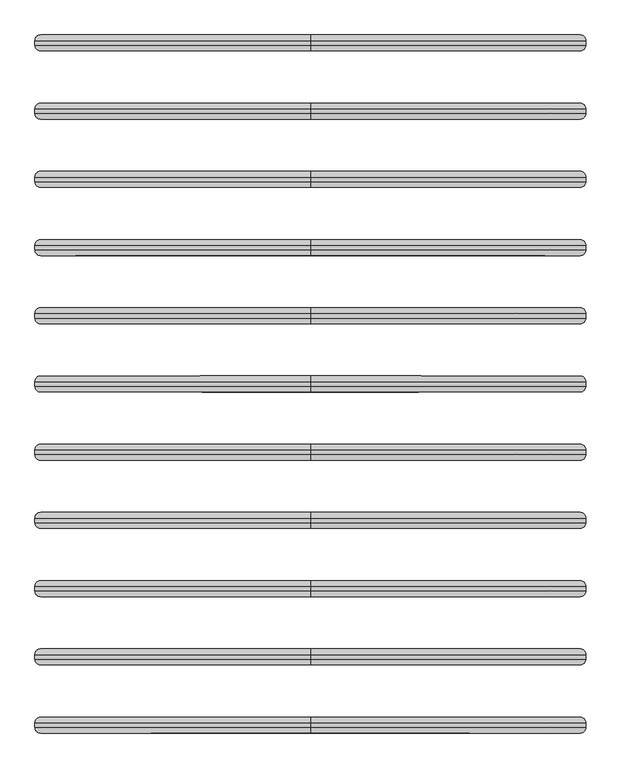
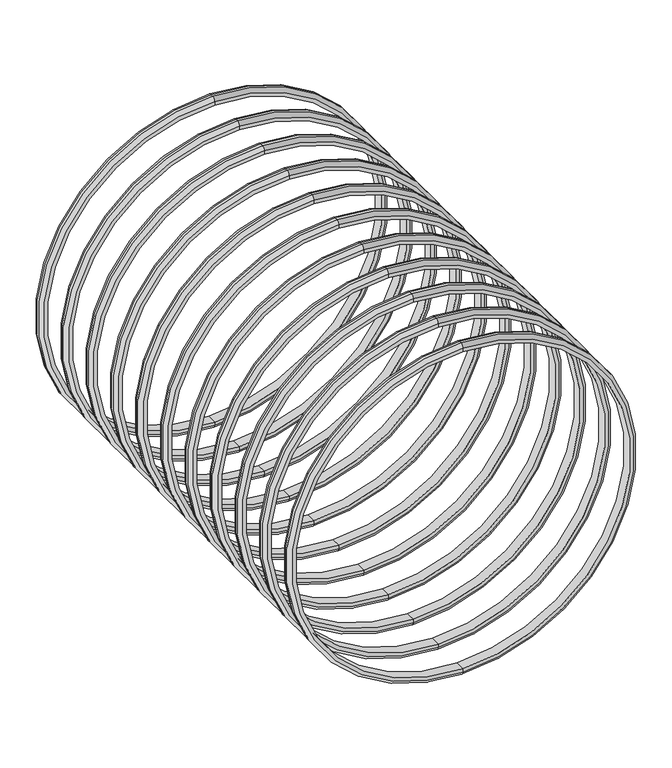
"""IFC4 building model written with IfcOpenShell, lengths in millimetres: proxy geometry."""

from ifc_helpers import new_model, si_unit, point, frame, origin, place, context, project, spatial, polyline, circle_curve, ellipse_curve, trimmed, source, transform, mapped, element, save
from ifc_brep_helpers import plane_surface, cylinder_surface, revolved_surface, advanced_brep


def generic_models_7a6d3cbc(model_context):
    return source(origin(), model_context, "Body", "AdvancedBrep", [
        advanced_brep(
        [(0.0, -664.5, -5694.0), (0.0, -664.5, -3306.0), (0.0, -664.5, -3331.0), (0.0, -664.5, -5669.0), (0.0, -734.5, -3331.0), (0.0, -734.5, -5669.0), (0.0, -734.5, -3306.0), (0.0, -734.5, -5694.0), (0.0, -689.5, -5719.0), (0.0, -689.5, -3281.0), (0.0, -709.5, -5719.0), (0.0, -709.5, -3281.0)],
        [
            (0, 1, circle_curve(frame((0.0, -664.5, -4500.0), z_axis=(0.0, 1.0, 0.0), x_axis=(0.0, 0.0, 1.0)), 1194.0)),
            (1, 2),
            (2, 3, circle_curve(frame((0.0, -664.5, -4500.0), z_axis=(0.0, -1.0, 0.0), x_axis=(0.0, 0.0, 1.0)), 1169.0)),
            (3, 0),
            (2, 4),
            (4, 5, circle_curve(frame((0.0, -734.5, -4500.0), z_axis=(0.0, -1.0, 0.0), x_axis=(0.0, 0.0, 1.0)), 1169.0)),
            (5, 3),
            (4, 6),
            (6, 7, circle_curve(frame((0.0, -734.5, -4500.0), z_axis=(0.0, -1.0, 0.0), x_axis=(0.0, 0.0, 1.0)), 1194.0)),
            (7, 5),
            (4, 5, circle_curve(frame((0.0, -734.5, -4500.0), z_axis=(0.0, 1.0, 0.0), x_axis=(0.0, 0.0, 1.0)), 1169.0)),
            (7, 6, circle_curve(frame((0.0, -734.5, -4500.0), z_axis=(0.0, -1.0, 0.0), x_axis=(0.0, 0.0, 1.0)), 1194.0)),
            (2, 3, circle_curve(frame((0.0, -664.5, -4500.0), z_axis=(0.0, 1.0, 0.0), x_axis=(0.0, 0.0, 1.0)), 1169.0)),
            (1, 0, circle_curve(frame((0.0, -664.5, -4500.0), z_axis=(0.0, 1.0, 0.0), x_axis=(0.0, 0.0, 1.0)), 1194.0)),
            (8, 9, circle_curve(frame((0.0, -689.5, -4500.0), z_axis=(0.0, 1.0, 0.0), x_axis=(0.0, 0.0, 1.0)), 1219.0)),
            (9, 1, circle_curve(frame((0.0, -689.5, -3306.0), z_axis=(-1.0, 0.0, 0.0), x_axis=(0.0, 1.0, 0.0)), 25.0)),
            (0, 8, circle_curve(frame((0.0, -689.5, -5694.0), z_axis=(-1.0, 0.0, 0.0), x_axis=(0.0, 1.0, 0.0)), 25.0)),
            (9, 8, circle_curve(frame((0.0, -689.5, -4500.0), z_axis=(0.0, 1.0, 0.0), x_axis=(0.0, 0.0, 1.0)), 1219.0)),
            (10, 11, circle_curve(frame((0.0, -709.5, -4500.0), z_axis=(0.0, 1.0, 0.0), x_axis=(0.0, 0.0, 1.0)), 1219.0)),
            (11, 9),
            (8, 10),
            (11, 10, circle_curve(frame((0.0, -709.5, -4500.0), z_axis=(0.0, 1.0, 0.0), x_axis=(0.0, 0.0, 1.0)), 1219.0)),
            (6, 11, circle_curve(frame((0.0, -709.5, -3306.0), z_axis=(-1.0, 0.0, 0.0), x_axis=(0.0, 1.0, 0.0)), 25.0)),
            (10, 7, circle_curve(frame((0.0, -709.5, -5694.0), z_axis=(-1.0, 0.0, 0.0), x_axis=(0.0, 1.0, 0.0)), 25.0)),
        ],
        [
            plane_surface(frame((0.0, -664.5, -4500.0), z_axis=(0.0, 1.0, 0.0), x_axis=(0.0, 0.0, 1.0))),
            revolved_surface(polyline([(0.0, -734.5, -3331.0), (0.0, -664.5, -3331.0)]), (0.0, -554.5, -4500.0), (0.0, -1.0, 0.0)),
            plane_surface(frame((0.0, -734.5, -4500.0), z_axis=(0.0, -1.0, 0.0), x_axis=(0.0, 0.0, 1.0))),
            revolved_surface(trimmed(ellipse_curve(frame((0.0, -689.5, -3306.0), z_axis=(1.0, 0.0, 0.0), x_axis=(0.0, 1.0, 0.0)), 25.0, 25.0), [point((0.0, -664.5, -3306.0))], [point((0.0, -689.5, -3281.0))], True, "CARTESIAN"), (0.0, -554.5, -4500.0), (0.0, -1.0, 0.0)),
            cylinder_surface(frame((0.0, -554.5, -4500.0), z_axis=(0.0, -1.0, 0.0), x_axis=(0.0, 0.0, 1.0)), 1219.0),
            revolved_surface(trimmed(ellipse_curve(frame((0.0, -709.5, -3306.0), z_axis=(1.0, 0.0, 0.0), x_axis=(0.0, 1.0, 0.0)), 25.0, 25.0), [point((0.0, -709.5, -3281.0))], [point((0.0, -734.5, -3306.0))], True, "CARTESIAN"), (0.0, -554.5, -4500.0), (0.0, -1.0, 0.0)),
        ],
        [
            (0, [[1, 2, 3, 4]]),
            (1, [[-3, 5, 6, 7]]),
            (2, [[-6, 8, 9, 10]]),
            (2, [[11, -10, 12, -8]]),
            (1, [[13, -7, -11, -5]]),
            (0, [[14, -4, -13, -2]]),
            (3, [[15, 16, -1, 17]]),
            (3, [[18, -17, -14, -16]]),
            (4, [[19, 20, -15, 21]]),
            (4, [[22, -21, -18, -20]]),
            (5, [[-9, 23, -19, 24]]),
            (5, [[-12, -24, -22, -23]]),
        ],
    ),
        advanced_brep(
        [(0.0, -964.5, -5694.0), (0.0, -964.5, -3306.0), (0.0, -964.5, -3331.0), (0.0, -964.5, -5669.0), (0.0, -1034.5, -3331.0), (0.0, -1034.5, -5669.0), (0.0, -1034.5, -3306.0), (0.0, -1034.5, -5694.0), (0.0, -989.5, -5719.0), (0.0, -989.5, -3281.0), (0.0, -1009.5, -5719.0), (0.0, -1009.5, -3281.0)],
        [
            (0, 1, circle_curve(frame((0.0, -964.5, -4500.0), z_axis=(0.0, 1.0, 0.0), x_axis=(0.0, 0.0, 1.0)), 1194.0)),
            (1, 2),
            (2, 3, circle_curve(frame((0.0, -964.5, -4500.0), z_axis=(0.0, -1.0, 0.0), x_axis=(0.0, 0.0, 1.0)), 1169.0)),
            (3, 0),
            (2, 4),
            (4, 5, circle_curve(frame((0.0, -1034.5, -4500.0), z_axis=(0.0, -1.0, 0.0), x_axis=(0.0, 0.0, 1.0)), 1169.0)),
            (5, 3),
            (4, 6),
            (6, 7, circle_curve(frame((0.0, -1034.5, -4500.0), z_axis=(0.0, -1.0, 0.0), x_axis=(0.0, 0.0, 1.0)), 1194.0)),
            (7, 5),
            (4, 5, circle_curve(frame((0.0, -1034.5, -4500.0), z_axis=(0.0, 1.0, 0.0), x_axis=(0.0, 0.0, 1.0)), 1169.0)),
            (7, 6, circle_curve(frame((0.0, -1034.5, -4500.0), z_axis=(0.0, -1.0, 0.0), x_axis=(0.0, 0.0, 1.0)), 1194.0)),
            (2, 3, circle_curve(frame((0.0, -964.5, -4500.0), z_axis=(0.0, 1.0, 0.0), x_axis=(0.0, 0.0, 1.0)), 1169.0)),
            (1, 0, circle_curve(frame((0.0, -964.5, -4500.0), z_axis=(0.0, 1.0, 0.0), x_axis=(0.0, 0.0, 1.0)), 1194.0)),
            (8, 9, circle_curve(frame((0.0, -989.5, -4500.0), z_axis=(0.0, 1.0, 0.0), x_axis=(0.0, 0.0, 1.0)), 1219.0)),
            (9, 1, circle_curve(frame((0.0, -989.5, -3306.0), z_axis=(-1.0, 0.0, 0.0), x_axis=(0.0, 1.0, 0.0)), 25.0)),
            (0, 8, circle_curve(frame((0.0, -989.5, -5694.0), z_axis=(-1.0, 0.0, 0.0), x_axis=(0.0, 1.0, 0.0)), 25.0)),
            (9, 8, circle_curve(frame((0.0, -989.5, -4500.0), z_axis=(0.0, 1.0, 0.0), x_axis=(0.0, 0.0, 1.0)), 1219.0)),
            (10, 11, circle_curve(frame((0.0, -1009.5, -4500.0), z_axis=(0.0, 1.0, 0.0), x_axis=(0.0, 0.0, 1.0)), 1219.0)),
            (11, 9),
            (8, 10),
            (11, 10, circle_curve(frame((0.0, -1009.5, -4500.0), z_axis=(0.0, 1.0, 0.0), x_axis=(0.0, 0.0, 1.0)), 1219.0)),
            (6, 11, circle_curve(frame((0.0, -1009.5, -3306.0), z_axis=(-1.0, 0.0, 0.0), x_axis=(0.0, 1.0, 0.0)), 25.0)),
            (10, 7, circle_curve(frame((0.0, -1009.5, -5694.0), z_axis=(-1.0, 0.0, 0.0), x_axis=(0.0, 1.0, 0.0)), 25.0)),
        ],
        [
            plane_surface(frame((0.0, -964.5, -4500.0), z_axis=(0.0, 1.0, 0.0), x_axis=(0.0, 0.0, 1.0))),
            revolved_surface(polyline([(0.0, -1034.5, -3331.0), (0.0, -964.5, -3331.0)]), (0.0, -854.5, -4500.0), (0.0, -1.0, 0.0)),
            plane_surface(frame((0.0, -1034.5, -4500.0), z_axis=(0.0, -1.0, 0.0), x_axis=(0.0, 0.0, 1.0))),
            revolved_surface(trimmed(ellipse_curve(frame((0.0, -989.5, -3306.0), z_axis=(1.0, 0.0, 0.0), x_axis=(0.0, 1.0, 0.0)), 25.0, 25.0), [point((0.0, -964.5, -3306.0))], [point((0.0, -989.5, -3281.0))], True, "CARTESIAN"), (0.0, -854.5, -4500.0), (0.0, -1.0, 0.0)),
            cylinder_surface(frame((0.0, -854.5, -4500.0), z_axis=(0.0, -1.0, 0.0), x_axis=(0.0, 0.0, 1.0)), 1219.0),
            revolved_surface(trimmed(ellipse_curve(frame((0.0, -1009.5, -3306.0), z_axis=(1.0, 0.0, 0.0), x_axis=(0.0, 1.0, 0.0)), 25.0, 25.0), [point((0.0, -1009.5, -3281.0))], [point((0.0, -1034.5, -3306.0))], True, "CARTESIAN"), (0.0, -854.5, -4500.0), (0.0, -1.0, 0.0)),
        ],
        [
            (0, [[1, 2, 3, 4]]),
            (1, [[-3, 5, 6, 7]]),
            (2, [[-6, 8, 9, 10]]),
            (2, [[11, -10, 12, -8]]),
            (1, [[13, -7, -11, -5]]),
            (0, [[14, -4, -13, -2]]),
            (3, [[15, 16, -1, 17]]),
            (3, [[18, -17, -14, -16]]),
            (4, [[19, 20, -15, 21]]),
            (4, [[22, -21, -18, -20]]),
            (5, [[-9, 23, -19, 24]]),
            (5, [[-12, -24, -22, -23]]),
        ],
    ),
        advanced_brep(
        [(0.0, -1264.5, -5694.0), (0.0, -1264.5, -3306.0), (0.0, -1264.5, -3331.0), (0.0, -1264.5, -5669.0), (0.0, -1334.5, -3331.0), (0.0, -1334.5, -5669.0), (0.0, -1334.5, -3306.0), (0.0, -1334.5, -5694.0), (0.0, -1289.5, -5719.0), (0.0, -1289.5, -3281.0), (0.0, -1309.5, -5719.0), (0.0, -1309.5, -3281.0)],
        [
            (0, 1, circle_curve(frame((0.0, -1264.5, -4500.0), z_axis=(0.0, 1.0, 0.0), x_axis=(0.0, 0.0, 1.0)), 1194.0)),
            (1, 2),
            (2, 3, circle_curve(frame((0.0, -1264.5, -4500.0), z_axis=(0.0, -1.0, 0.0), x_axis=(0.0, 0.0, 1.0)), 1169.0)),
            (3, 0),
            (2, 4),
            (4, 5, circle_curve(frame((0.0, -1334.5, -4500.0), z_axis=(0.0, -1.0, 0.0), x_axis=(0.0, 0.0, 1.0)), 1169.0)),
            (5, 3),
            (4, 6),
            (6, 7, circle_curve(frame((0.0, -1334.5, -4500.0), z_axis=(0.0, -1.0, 0.0), x_axis=(0.0, 0.0, 1.0)), 1194.0)),
            (7, 5),
            (4, 5, circle_curve(frame((0.0, -1334.5, -4500.0), z_axis=(0.0, 1.0, 0.0), x_axis=(0.0, 0.0, 1.0)), 1169.0)),
            (7, 6, circle_curve(frame((0.0, -1334.5, -4500.0), z_axis=(0.0, -1.0, 0.0), x_axis=(0.0, 0.0, 1.0)), 1194.0)),
            (2, 3, circle_curve(frame((0.0, -1264.5, -4500.0), z_axis=(0.0, 1.0, 0.0), x_axis=(0.0, 0.0, 1.0)), 1169.0)),
            (1, 0, circle_curve(frame((0.0, -1264.5, -4500.0), z_axis=(0.0, 1.0, 0.0), x_axis=(0.0, 0.0, 1.0)), 1194.0)),
            (8, 9, circle_curve(frame((0.0, -1289.5, -4500.0), z_axis=(0.0, 1.0, 0.0), x_axis=(0.0, 0.0, 1.0)), 1219.0)),
            (9, 1, circle_curve(frame((0.0, -1289.5, -3306.0), z_axis=(-1.0, 0.0, 0.0), x_axis=(0.0, 1.0, 0.0)), 25.0)),
            (0, 8, circle_curve(frame((0.0, -1289.5, -5694.0), z_axis=(-1.0, 0.0, 0.0), x_axis=(0.0, 1.0, 0.0)), 25.0)),
            (9, 8, circle_curve(frame((0.0, -1289.5, -4500.0), z_axis=(0.0, 1.0, 0.0), x_axis=(0.0, 0.0, 1.0)), 1219.0)),
            (10, 11, circle_curve(frame((0.0, -1309.5, -4500.0), z_axis=(0.0, 1.0, 0.0), x_axis=(0.0, 0.0, 1.0)), 1219.0)),
            (11, 9),
            (8, 10),
            (11, 10, circle_curve(frame((0.0, -1309.5, -4500.0), z_axis=(0.0, 1.0, 0.0), x_axis=(0.0, 0.0, 1.0)), 1219.0)),
            (6, 11, circle_curve(frame((0.0, -1309.5, -3306.0), z_axis=(-1.0, 0.0, 0.0), x_axis=(0.0, 1.0, 0.0)), 25.0)),
            (10, 7, circle_curve(frame((0.0, -1309.5, -5694.0), z_axis=(-1.0, 0.0, 0.0), x_axis=(0.0, 1.0, 0.0)), 25.0)),
        ],
        [
            plane_surface(frame((0.0, -1264.5, -4500.0), z_axis=(0.0, 1.0, 0.0), x_axis=(0.0, 0.0, 1.0))),
            revolved_surface(polyline([(0.0, -1334.5, -3331.0), (0.0, -1264.5, -3331.0)]), (0.0, -1154.5, -4500.0), (0.0, -1.0, 0.0)),
            plane_surface(frame((0.0, -1334.5, -4500.0), z_axis=(0.0, -1.0, 0.0), x_axis=(0.0, 0.0, 1.0))),
            revolved_surface(trimmed(ellipse_curve(frame((0.0, -1289.5, -3306.0), z_axis=(1.0, 0.0, 0.0), x_axis=(0.0, 1.0, 0.0)), 25.0, 25.0), [point((0.0, -1264.5, -3306.0))], [point((0.0, -1289.5, -3281.0))], True, "CARTESIAN"), (0.0, -1154.5, -4500.0), (0.0, -1.0, 0.0)),
            cylinder_surface(frame((0.0, -1154.5, -4500.0), z_axis=(0.0, -1.0, 0.0), x_axis=(0.0, 0.0, 1.0)), 1219.0),
            revolved_surface(trimmed(ellipse_curve(frame((0.0, -1309.5, -3306.0), z_axis=(1.0, 0.0, 0.0), x_axis=(0.0, 1.0, 0.0)), 25.0, 25.0), [point((0.0, -1309.5, -3281.0))], [point((0.0, -1334.5, -3306.0))], True, "CARTESIAN"), (0.0, -1154.5, -4500.0), (0.0, -1.0, 0.0)),
        ],
        [
            (0, [[1, 2, 3, 4]]),
            (1, [[-3, 5, 6, 7]]),
            (2, [[-6, 8, 9, 10]]),
            (2, [[11, -10, 12, -8]]),
            (1, [[13, -7, -11, -5]]),
            (0, [[14, -4, -13, -2]]),
            (3, [[15, 16, -1, 17]]),
            (3, [[18, -17, -14, -16]]),
            (4, [[19, 20, -15, 21]]),
            (4, [[22, -21, -18, -20]]),
            (5, [[-9, 23, -19, 24]]),
            (5, [[-12, -24, -22, -23]]),
        ],
    ),
        advanced_brep(
        [(0.0, -1564.5, -5694.0), (0.0, -1564.5, -3306.0), (0.0, -1564.5, -3331.0), (0.0, -1564.5, -5669.0), (0.0, -1634.5, -3331.0), (0.0, -1634.5, -5669.0), (0.0, -1634.5, -3306.0), (0.0, -1634.5, -5694.0), (0.0, -1589.5, -5719.0), (0.0, -1589.5, -3281.0), (0.0, -1609.5, -5719.0), (0.0, -1609.5, -3281.0)],
        [
            (0, 1, circle_curve(frame((0.0, -1564.5, -4500.0), z_axis=(0.0, 1.0, 0.0), x_axis=(0.0, 0.0, 1.0)), 1194.0)),
            (1, 2),
            (2, 3, circle_curve(frame((0.0, -1564.5, -4500.0), z_axis=(0.0, -1.0, 0.0), x_axis=(0.0, 0.0, 1.0)), 1169.0)),
            (3, 0),
            (2, 4),
            (4, 5, circle_curve(frame((0.0, -1634.5, -4500.0), z_axis=(0.0, -1.0, 0.0), x_axis=(0.0, 0.0, 1.0)), 1169.0)),
            (5, 3),
            (4, 6),
            (6, 7, circle_curve(frame((0.0, -1634.5, -4500.0), z_axis=(0.0, -1.0, 0.0), x_axis=(0.0, 0.0, 1.0)), 1194.0)),
            (7, 5),
            (4, 5, circle_curve(frame((0.0, -1634.5, -4500.0), z_axis=(0.0, 1.0, 0.0), x_axis=(0.0, 0.0, 1.0)), 1169.0)),
            (7, 6, circle_curve(frame((0.0, -1634.5, -4500.0), z_axis=(0.0, -1.0, 0.0), x_axis=(0.0, 0.0, 1.0)), 1194.0)),
            (2, 3, circle_curve(frame((0.0, -1564.5, -4500.0), z_axis=(0.0, 1.0, 0.0), x_axis=(0.0, 0.0, 1.0)), 1169.0)),
            (1, 0, circle_curve(frame((0.0, -1564.5, -4500.0), z_axis=(0.0, 1.0, 0.0), x_axis=(0.0, 0.0, 1.0)), 1194.0)),
            (8, 9, circle_curve(frame((0.0, -1589.5, -4500.0), z_axis=(0.0, 1.0, 0.0), x_axis=(0.0, 0.0, 1.0)), 1219.0)),
            (9, 1, circle_curve(frame((0.0, -1589.5, -3306.0), z_axis=(-1.0, 0.0, 0.0), x_axis=(0.0, 1.0, 0.0)), 25.0)),
            (0, 8, circle_curve(frame((0.0, -1589.5, -5694.0), z_axis=(-1.0, 0.0, 0.0), x_axis=(0.0, 1.0, 0.0)), 25.0)),
            (9, 8, circle_curve(frame((0.0, -1589.5, -4500.0), z_axis=(0.0, 1.0, 0.0), x_axis=(0.0, 0.0, 1.0)), 1219.0)),
            (10, 11, circle_curve(frame((0.0, -1609.5, -4500.0), z_axis=(0.0, 1.0, 0.0), x_axis=(0.0, 0.0, 1.0)), 1219.0)),
            (11, 9),
            (8, 10),
            (11, 10, circle_curve(frame((0.0, -1609.5, -4500.0), z_axis=(0.0, 1.0, 0.0), x_axis=(0.0, 0.0, 1.0)), 1219.0)),
            (6, 11, circle_curve(frame((0.0, -1609.5, -3306.0), z_axis=(-1.0, 0.0, 0.0), x_axis=(0.0, 1.0, 0.0)), 25.0)),
            (10, 7, circle_curve(frame((0.0, -1609.5, -5694.0), z_axis=(-1.0, 0.0, 0.0), x_axis=(0.0, 1.0, 0.0)), 25.0)),
        ],
        [
            plane_surface(frame((0.0, -1564.5, -4500.0), z_axis=(0.0, 1.0, 0.0), x_axis=(0.0, 0.0, 1.0))),
            revolved_surface(polyline([(0.0, -1634.5, -3331.0), (0.0, -1564.5, -3331.0)]), (0.0, -1454.5, -4500.0), (0.0, -1.0, 0.0)),
            plane_surface(frame((0.0, -1634.5, -4500.0), z_axis=(0.0, -1.0, 0.0), x_axis=(0.0, 0.0, 1.0))),
            revolved_surface(trimmed(ellipse_curve(frame((0.0, -1589.5, -3306.0), z_axis=(1.0, 0.0, 0.0), x_axis=(0.0, 1.0, 0.0)), 25.0, 25.0), [point((0.0, -1564.5, -3306.0))], [point((0.0, -1589.5, -3281.0))], True, "CARTESIAN"), (0.0, -1454.5, -4500.0), (0.0, -1.0, 0.0)),
            cylinder_surface(frame((0.0, -1454.5, -4500.0), z_axis=(0.0, -1.0, 0.0), x_axis=(0.0, 0.0, 1.0)), 1219.0),
            revolved_surface(trimmed(ellipse_curve(frame((0.0, -1609.5, -3306.0), z_axis=(1.0, 0.0, 0.0), x_axis=(0.0, 1.0, 0.0)), 25.0, 25.0), [point((0.0, -1609.5, -3281.0))], [point((0.0, -1634.5, -3306.0))], True, "CARTESIAN"), (0.0, -1454.5, -4500.0), (0.0, -1.0, 0.0)),
        ],
        [
            (0, [[1, 2, 3, 4]]),
            (1, [[-3, 5, 6, 7]]),
            (2, [[-6, 8, 9, 10]]),
            (2, [[11, -10, 12, -8]]),
            (1, [[13, -7, -11, -5]]),
            (0, [[14, -4, -13, -2]]),
            (3, [[15, 16, -1, 17]]),
            (3, [[18, -17, -14, -16]]),
            (4, [[19, 20, -15, 21]]),
            (4, [[22, -21, -18, -20]]),
            (5, [[-9, 23, -19, 24]]),
            (5, [[-12, -24, -22, -23]]),
        ],
    ),
        advanced_brep(
        [(0.0, -1864.5, -5694.0), (0.0, -1864.5, -3306.0), (0.0, -1864.5, -3331.0), (0.0, -1864.5, -5669.0), (0.0, -1934.5, -3331.0), (0.0, -1934.5, -5669.0), (0.0, -1934.5, -3306.0), (0.0, -1934.5, -5694.0), (0.0, -1889.5, -5719.0), (0.0, -1889.5, -3281.0), (0.0, -1909.5, -5719.0), (0.0, -1909.5, -3281.0)],
        [
            (0, 1, circle_curve(frame((0.0, -1864.5, -4500.0), z_axis=(0.0, 1.0, 0.0), x_axis=(0.0, 0.0, 1.0)), 1194.0)),
            (1, 2),
            (2, 3, circle_curve(frame((0.0, -1864.5, -4500.0), z_axis=(0.0, -1.0, 0.0), x_axis=(0.0, 0.0, 1.0)), 1169.0)),
            (3, 0),
            (2, 4),
            (4, 5, circle_curve(frame((0.0, -1934.5, -4500.0), z_axis=(0.0, -1.0, 0.0), x_axis=(0.0, 0.0, 1.0)), 1169.0)),
            (5, 3),
            (4, 6),
            (6, 7, circle_curve(frame((0.0, -1934.5, -4500.0), z_axis=(0.0, -1.0, 0.0), x_axis=(0.0, 0.0, 1.0)), 1194.0)),
            (7, 5),
            (4, 5, circle_curve(frame((0.0, -1934.5, -4500.0), z_axis=(0.0, 1.0, 0.0), x_axis=(0.0, 0.0, 1.0)), 1169.0)),
            (7, 6, circle_curve(frame((0.0, -1934.5, -4500.0), z_axis=(0.0, -1.0, 0.0), x_axis=(0.0, 0.0, 1.0)), 1194.0)),
            (2, 3, circle_curve(frame((0.0, -1864.5, -4500.0), z_axis=(0.0, 1.0, 0.0), x_axis=(0.0, 0.0, 1.0)), 1169.0)),
            (1, 0, circle_curve(frame((0.0, -1864.5, -4500.0), z_axis=(0.0, 1.0, 0.0), x_axis=(0.0, 0.0, 1.0)), 1194.0)),
            (8, 9, circle_curve(frame((0.0, -1889.5, -4500.0), z_axis=(0.0, 1.0, 0.0), x_axis=(0.0, 0.0, 1.0)), 1219.0)),
            (9, 1, circle_curve(frame((0.0, -1889.5, -3306.0), z_axis=(-1.0, 0.0, 0.0), x_axis=(0.0, 1.0, 0.0)), 25.0)),
            (0, 8, circle_curve(frame((0.0, -1889.5, -5694.0), z_axis=(-1.0, 0.0, 0.0), x_axis=(0.0, 1.0, 0.0)), 25.0)),
            (9, 8, circle_curve(frame((0.0, -1889.5, -4500.0), z_axis=(0.0, 1.0, 0.0), x_axis=(0.0, 0.0, 1.0)), 1219.0)),
            (10, 11, circle_curve(frame((0.0, -1909.5, -4500.0), z_axis=(0.0, 1.0, 0.0), x_axis=(0.0, 0.0, 1.0)), 1219.0)),
            (11, 9),
            (8, 10),
            (11, 10, circle_curve(frame((0.0, -1909.5, -4500.0), z_axis=(0.0, 1.0, 0.0), x_axis=(0.0, 0.0, 1.0)), 1219.0)),
            (6, 11, circle_curve(frame((0.0, -1909.5, -3306.0), z_axis=(-1.0, 0.0, 0.0), x_axis=(0.0, 1.0, 0.0)), 25.0)),
            (10, 7, circle_curve(frame((0.0, -1909.5, -5694.0), z_axis=(-1.0, 0.0, 0.0), x_axis=(0.0, 1.0, 0.0)), 25.0)),
        ],
        [
            plane_surface(frame((0.0, -1864.5, -4500.0), z_axis=(0.0, 1.0, 0.0), x_axis=(0.0, 0.0, 1.0))),
            revolved_surface(polyline([(0.0, -1934.5, -3331.0), (0.0, -1864.5, -3331.0)]), (0.0, -1754.5, -4500.0), (0.0, -1.0, 0.0)),
            plane_surface(frame((0.0, -1934.5, -4500.0), z_axis=(0.0, -1.0, 0.0), x_axis=(0.0, 0.0, 1.0))),
            revolved_surface(trimmed(ellipse_curve(frame((0.0, -1889.5, -3306.0), z_axis=(1.0, 0.0, 0.0), x_axis=(0.0, 1.0, 0.0)), 25.0, 25.0), [point((0.0, -1864.5, -3306.0))], [point((0.0, -1889.5, -3281.0))], True, "CARTESIAN"), (0.0, -1754.5, -4500.0), (0.0, -1.0, 0.0)),
            cylinder_surface(frame((0.0, -1754.5, -4500.0), z_axis=(0.0, -1.0, 0.0), x_axis=(0.0, 0.0, 1.0)), 1219.0),
            revolved_surface(trimmed(ellipse_curve(frame((0.0, -1909.5, -3306.0), z_axis=(1.0, 0.0, 0.0), x_axis=(0.0, 1.0, 0.0)), 25.0, 25.0), [point((0.0, -1909.5, -3281.0))], [point((0.0, -1934.5, -3306.0))], True, "CARTESIAN"), (0.0, -1754.5, -4500.0), (0.0, -1.0, 0.0)),
        ],
        [
            (0, [[1, 2, 3, 4]]),
            (1, [[-3, 5, 6, 7]]),
            (2, [[-6, 8, 9, 10]]),
            (2, [[11, -10, 12, -8]]),
            (1, [[13, -7, -11, -5]]),
            (0, [[14, -4, -13, -2]]),
            (3, [[15, 16, -1, 17]]),
            (3, [[18, -17, -14, -16]]),
            (4, [[19, 20, -15, 21]]),
            (4, [[22, -21, -18, -20]]),
            (5, [[-9, 23, -19, 24]]),
            (5, [[-12, -24, -22, -23]]),
        ],
    ),
        advanced_brep(
        [(0.0, -2164.5, -5694.0), (0.0, -2164.5, -3306.0), (0.0, -2164.5, -3331.0), (0.0, -2164.5, -5669.0), (0.0, -2234.5, -3331.0), (0.0, -2234.5, -5669.0), (0.0, -2234.5, -3306.0), (0.0, -2234.5, -5694.0), (0.0, -2189.5, -5719.0), (0.0, -2189.5, -3281.0), (0.0, -2209.5, -5719.0), (0.0, -2209.5, -3281.0)],
        [
            (0, 1, circle_curve(frame((0.0, -2164.5, -4500.0), z_axis=(0.0, 1.0, 0.0), x_axis=(0.0, 0.0, 1.0)), 1194.0)),
            (1, 2),
            (2, 3, circle_curve(frame((0.0, -2164.5, -4500.0), z_axis=(0.0, -1.0, 0.0), x_axis=(0.0, 0.0, 1.0)), 1169.0)),
            (3, 0),
            (2, 4),
            (4, 5, circle_curve(frame((0.0, -2234.5, -4500.0), z_axis=(0.0, -1.0, 0.0), x_axis=(0.0, 0.0, 1.0)), 1169.0)),
            (5, 3),
            (4, 6),
            (6, 7, circle_curve(frame((0.0, -2234.5, -4500.0), z_axis=(0.0, -1.0, 0.0), x_axis=(0.0, 0.0, 1.0)), 1194.0)),
            (7, 5),
            (4, 5, circle_curve(frame((0.0, -2234.5, -4500.0), z_axis=(0.0, 1.0, 0.0), x_axis=(0.0, 0.0, 1.0)), 1169.0)),
            (7, 6, circle_curve(frame((0.0, -2234.5, -4500.0), z_axis=(0.0, -1.0, 0.0), x_axis=(0.0, 0.0, 1.0)), 1194.0)),
            (2, 3, circle_curve(frame((0.0, -2164.5, -4500.0), z_axis=(0.0, 1.0, 0.0), x_axis=(0.0, 0.0, 1.0)), 1169.0)),
            (1, 0, circle_curve(frame((0.0, -2164.5, -4500.0), z_axis=(0.0, 1.0, 0.0), x_axis=(0.0, 0.0, 1.0)), 1194.0)),
            (8, 9, circle_curve(frame((0.0, -2189.5, -4500.0), z_axis=(0.0, 1.0, 0.0), x_axis=(0.0, 0.0, 1.0)), 1219.0)),
            (9, 1, circle_curve(frame((0.0, -2189.5, -3306.0), z_axis=(-1.0, 0.0, 0.0), x_axis=(0.0, 1.0, 0.0)), 25.0)),
            (0, 8, circle_curve(frame((0.0, -2189.5, -5694.0), z_axis=(-1.0, 0.0, 0.0), x_axis=(0.0, 1.0, 0.0)), 25.0)),
            (9, 8, circle_curve(frame((0.0, -2189.5, -4500.0), z_axis=(0.0, 1.0, 0.0), x_axis=(0.0, 0.0, 1.0)), 1219.0)),
            (10, 11, circle_curve(frame((0.0, -2209.5, -4500.0), z_axis=(0.0, 1.0, 0.0), x_axis=(0.0, 0.0, 1.0)), 1219.0)),
            (11, 9),
            (8, 10),
            (11, 10, circle_curve(frame((0.0, -2209.5, -4500.0), z_axis=(0.0, 1.0, 0.0), x_axis=(0.0, 0.0, 1.0)), 1219.0)),
            (6, 11, circle_curve(frame((0.0, -2209.5, -3306.0), z_axis=(-1.0, 0.0, 0.0), x_axis=(0.0, 1.0, 0.0)), 25.0)),
            (10, 7, circle_curve(frame((0.0, -2209.5, -5694.0), z_axis=(-1.0, 0.0, 0.0), x_axis=(0.0, 1.0, 0.0)), 25.0)),
        ],
        [
            plane_surface(frame((0.0, -2164.5, -4500.0), z_axis=(0.0, 1.0, 0.0), x_axis=(0.0, 0.0, 1.0))),
            revolved_surface(polyline([(0.0, -2234.5, -3331.0), (0.0, -2164.5, -3331.0)]), (0.0, -2054.5, -4500.0), (0.0, -1.0, 0.0)),
            plane_surface(frame((0.0, -2234.5, -4500.0), z_axis=(0.0, -1.0, 0.0), x_axis=(0.0, 0.0, 1.0))),
            revolved_surface(trimmed(ellipse_curve(frame((0.0, -2189.5, -3306.0), z_axis=(1.0, 0.0, 0.0), x_axis=(0.0, 1.0, 0.0)), 25.0, 25.0), [point((0.0, -2164.5, -3306.0))], [point((0.0, -2189.5, -3281.0))], True, "CARTESIAN"), (0.0, -2054.5, -4500.0), (0.0, -1.0, 0.0)),
            cylinder_surface(frame((0.0, -2054.5, -4500.0), z_axis=(0.0, -1.0, 0.0), x_axis=(0.0, 0.0, 1.0)), 1219.0),
            revolved_surface(trimmed(ellipse_curve(frame((0.0, -2209.5, -3306.0), z_axis=(1.0, 0.0, 0.0), x_axis=(0.0, 1.0, 0.0)), 25.0, 25.0), [point((0.0, -2209.5, -3281.0))], [point((0.0, -2234.5, -3306.0))], True, "CARTESIAN"), (0.0, -2054.5, -4500.0), (0.0, -1.0, 0.0)),
        ],
        [
            (0, [[1, 2, 3, 4]]),
            (1, [[-3, 5, 6, 7]]),
            (2, [[-6, 8, 9, 10]]),
            (2, [[11, -10, 12, -8]]),
            (1, [[13, -7, -11, -5]]),
            (0, [[14, -4, -13, -2]]),
            (3, [[15, 16, -1, 17]]),
            (3, [[18, -17, -14, -16]]),
            (4, [[19, 20, -15, 21]]),
            (4, [[22, -21, -18, -20]]),
            (5, [[-9, 23, -19, 24]]),
            (5, [[-12, -24, -22, -23]]),
        ],
    ),
        advanced_brep(
        [(0.0, -2464.5, -5694.0), (0.0, -2464.5, -3306.0), (0.0, -2464.5, -3331.0), (0.0, -2464.5, -5669.0), (0.0, -2534.5, -3331.0), (0.0, -2534.5, -5669.0), (0.0, -2534.5, -3306.0), (0.0, -2534.5, -5694.0), (0.0, -2489.5, -5719.0), (0.0, -2489.5, -3281.0), (0.0, -2509.5, -5719.0), (0.0, -2509.5, -3281.0)],
        [
            (0, 1, circle_curve(frame((0.0, -2464.5, -4500.0), z_axis=(0.0, 1.0, 0.0), x_axis=(0.0, 0.0, 1.0)), 1194.0)),
            (1, 2),
            (2, 3, circle_curve(frame((0.0, -2464.5, -4500.0), z_axis=(0.0, -1.0, 0.0), x_axis=(0.0, 0.0, 1.0)), 1169.0)),
            (3, 0),
            (2, 4),
            (4, 5, circle_curve(frame((0.0, -2534.5, -4500.0), z_axis=(0.0, -1.0, 0.0), x_axis=(0.0, 0.0, 1.0)), 1169.0)),
            (5, 3),
            (4, 6),
            (6, 7, circle_curve(frame((0.0, -2534.5, -4500.0), z_axis=(0.0, -1.0, 0.0), x_axis=(0.0, 0.0, 1.0)), 1194.0)),
            (7, 5),
            (4, 5, circle_curve(frame((0.0, -2534.5, -4500.0), z_axis=(0.0, 1.0, 0.0), x_axis=(0.0, 0.0, 1.0)), 1169.0)),
            (7, 6, circle_curve(frame((0.0, -2534.5, -4500.0), z_axis=(0.0, -1.0, 0.0), x_axis=(0.0, 0.0, 1.0)), 1194.0)),
            (2, 3, circle_curve(frame((0.0, -2464.5, -4500.0), z_axis=(0.0, 1.0, 0.0), x_axis=(0.0, 0.0, 1.0)), 1169.0)),
            (1, 0, circle_curve(frame((0.0, -2464.5, -4500.0), z_axis=(0.0, 1.0, 0.0), x_axis=(0.0, 0.0, 1.0)), 1194.0)),
            (8, 9, circle_curve(frame((0.0, -2489.5, -4500.0), z_axis=(0.0, 1.0, 0.0), x_axis=(0.0, 0.0, 1.0)), 1219.0)),
            (9, 1, circle_curve(frame((0.0, -2489.5, -3306.0), z_axis=(-1.0, 0.0, 0.0), x_axis=(0.0, 1.0, 0.0)), 25.0)),
            (0, 8, circle_curve(frame((0.0, -2489.5, -5694.0), z_axis=(-1.0, 0.0, 0.0), x_axis=(0.0, 1.0, 0.0)), 25.0)),
            (9, 8, circle_curve(frame((0.0, -2489.5, -4500.0), z_axis=(0.0, 1.0, 0.0), x_axis=(0.0, 0.0, 1.0)), 1219.0)),
            (10, 11, circle_curve(frame((0.0, -2509.5, -4500.0), z_axis=(0.0, 1.0, 0.0), x_axis=(0.0, 0.0, 1.0)), 1219.0)),
            (11, 9),
            (8, 10),
            (11, 10, circle_curve(frame((0.0, -2509.5, -4500.0), z_axis=(0.0, 1.0, 0.0), x_axis=(0.0, 0.0, 1.0)), 1219.0)),
            (6, 11, circle_curve(frame((0.0, -2509.5, -3306.0), z_axis=(-1.0, 0.0, 0.0), x_axis=(0.0, 1.0, 0.0)), 25.0)),
            (10, 7, circle_curve(frame((0.0, -2509.5, -5694.0), z_axis=(-1.0, 0.0, 0.0), x_axis=(0.0, 1.0, 0.0)), 25.0)),
        ],
        [
            plane_surface(frame((0.0, -2464.5, -4500.0), z_axis=(0.0, 1.0, 0.0), x_axis=(0.0, 0.0, 1.0))),
            revolved_surface(polyline([(0.0, -2534.5, -3331.0), (0.0, -2464.5, -3331.0)]), (0.0, -2354.5, -4500.0), (0.0, -1.0, 0.0)),
            plane_surface(frame((0.0, -2534.5, -4500.0), z_axis=(0.0, -1.0, 0.0), x_axis=(0.0, 0.0, 1.0))),
            revolved_surface(trimmed(ellipse_curve(frame((0.0, -2489.5, -3306.0), z_axis=(1.0, 0.0, 0.0), x_axis=(0.0, 1.0, 0.0)), 25.0, 25.0), [point((0.0, -2464.5, -3306.0))], [point((0.0, -2489.5, -3281.0))], True, "CARTESIAN"), (0.0, -2354.5, -4500.0), (0.0, -1.0, 0.0)),
            cylinder_surface(frame((0.0, -2354.5, -4500.0), z_axis=(0.0, -1.0, 0.0), x_axis=(0.0, 0.0, 1.0)), 1219.0),
            revolved_surface(trimmed(ellipse_curve(frame((0.0, -2509.5, -3306.0), z_axis=(1.0, 0.0, 0.0), x_axis=(0.0, 1.0, 0.0)), 25.0, 25.0), [point((0.0, -2509.5, -3281.0))], [point((0.0, -2534.5, -3306.0))], True, "CARTESIAN"), (0.0, -2354.5, -4500.0), (0.0, -1.0, 0.0)),
        ],
        [
            (0, [[1, 2, 3, 4]]),
            (1, [[-3, 5, 6, 7]]),
            (2, [[-6, 8, 9, 10]]),
            (2, [[11, -10, 12, -8]]),
            (1, [[13, -7, -11, -5]]),
            (0, [[14, -4, -13, -2]]),
            (3, [[15, 16, -1, 17]]),
            (3, [[18, -17, -14, -16]]),
            (4, [[19, 20, -15, 21]]),
            (4, [[22, -21, -18, -20]]),
            (5, [[-9, 23, -19, 24]]),
            (5, [[-12, -24, -22, -23]]),
        ],
    ),
        advanced_brep(
        [(0.0, -2764.5, -5694.0), (0.0, -2764.5, -3306.0), (0.0, -2764.5, -3331.0), (0.0, -2764.5, -5669.0), (0.0, -2834.5, -3331.0), (0.0, -2834.5, -5669.0), (0.0, -2834.5, -3306.0), (0.0, -2834.5, -5694.0), (0.0, -2789.5, -5719.0), (0.0, -2789.5, -3281.0), (0.0, -2809.5, -5719.0), (0.0, -2809.5, -3281.0)],
        [
            (0, 1, circle_curve(frame((0.0, -2764.5, -4500.0), z_axis=(0.0, 1.0, 0.0), x_axis=(0.0, 0.0, 1.0)), 1194.0)),
            (1, 2),
            (2, 3, circle_curve(frame((0.0, -2764.5, -4500.0), z_axis=(0.0, -1.0, 0.0), x_axis=(0.0, 0.0, 1.0)), 1169.0)),
            (3, 0),
            (2, 4),
            (4, 5, circle_curve(frame((0.0, -2834.5, -4500.0), z_axis=(0.0, -1.0, 0.0), x_axis=(0.0, 0.0, 1.0)), 1169.0)),
            (5, 3),
            (4, 6),
            (6, 7, circle_curve(frame((0.0, -2834.5, -4500.0), z_axis=(0.0, -1.0, 0.0), x_axis=(0.0, 0.0, 1.0)), 1194.0)),
            (7, 5),
            (4, 5, circle_curve(frame((0.0, -2834.5, -4500.0), z_axis=(0.0, 1.0, 0.0), x_axis=(0.0, 0.0, 1.0)), 1169.0)),
            (7, 6, circle_curve(frame((0.0, -2834.5, -4500.0), z_axis=(0.0, -1.0, 0.0), x_axis=(0.0, 0.0, 1.0)), 1194.0)),
            (2, 3, circle_curve(frame((0.0, -2764.5, -4500.0), z_axis=(0.0, 1.0, 0.0), x_axis=(0.0, 0.0, 1.0)), 1169.0)),
            (1, 0, circle_curve(frame((0.0, -2764.5, -4500.0), z_axis=(0.0, 1.0, 0.0), x_axis=(0.0, 0.0, 1.0)), 1194.0)),
            (8, 9, circle_curve(frame((0.0, -2789.5, -4500.0), z_axis=(0.0, 1.0, 0.0), x_axis=(0.0, 0.0, 1.0)), 1219.0)),
            (9, 1, circle_curve(frame((0.0, -2789.5, -3306.0), z_axis=(-1.0, 0.0, 0.0), x_axis=(0.0, 1.0, 0.0)), 25.0)),
            (0, 8, circle_curve(frame((0.0, -2789.5, -5694.0), z_axis=(-1.0, 0.0, 0.0), x_axis=(0.0, 1.0, 0.0)), 25.0)),
            (9, 8, circle_curve(frame((0.0, -2789.5, -4500.0), z_axis=(0.0, 1.0, 0.0), x_axis=(0.0, 0.0, 1.0)), 1219.0)),
            (10, 11, circle_curve(frame((0.0, -2809.5, -4500.0), z_axis=(0.0, 1.0, 0.0), x_axis=(0.0, 0.0, 1.0)), 1219.0)),
            (11, 9),
            (8, 10),
            (11, 10, circle_curve(frame((0.0, -2809.5, -4500.0), z_axis=(0.0, 1.0, 0.0), x_axis=(0.0, 0.0, 1.0)), 1219.0)),
            (6, 11, circle_curve(frame((0.0, -2809.5, -3306.0), z_axis=(-1.0, 0.0, 0.0), x_axis=(0.0, 1.0, 0.0)), 25.0)),
            (10, 7, circle_curve(frame((0.0, -2809.5, -5694.0), z_axis=(-1.0, 0.0, 0.0), x_axis=(0.0, 1.0, 0.0)), 25.0)),
        ],
        [
            plane_surface(frame((0.0, -2764.5, -4500.0), z_axis=(0.0, 1.0, 0.0), x_axis=(0.0, 0.0, 1.0))),
            revolved_surface(polyline([(0.0, -2834.5, -3331.0), (0.0, -2764.5, -3331.0)]), (0.0, -2654.5, -4500.0), (0.0, -1.0, 0.0)),
            plane_surface(frame((0.0, -2834.5, -4500.0), z_axis=(0.0, -1.0, 0.0), x_axis=(0.0, 0.0, 1.0))),
            revolved_surface(trimmed(ellipse_curve(frame((0.0, -2789.5, -3306.0), z_axis=(1.0, 0.0, 0.0), x_axis=(0.0, 1.0, 0.0)), 25.0, 25.0), [point((0.0, -2764.5, -3306.0))], [point((0.0, -2789.5, -3281.0))], True, "CARTESIAN"), (0.0, -2654.5, -4500.0), (0.0, -1.0, 0.0)),
            cylinder_surface(frame((0.0, -2654.5, -4500.0), z_axis=(0.0, -1.0, 0.0), x_axis=(0.0, 0.0, 1.0)), 1219.0),
            revolved_surface(trimmed(ellipse_curve(frame((0.0, -2809.5, -3306.0), z_axis=(1.0, 0.0, 0.0), x_axis=(0.0, 1.0, 0.0)), 25.0, 25.0), [point((0.0, -2809.5, -3281.0))], [point((0.0, -2834.5, -3306.0))], True, "CARTESIAN"), (0.0, -2654.5, -4500.0), (0.0, -1.0, 0.0)),
        ],
        [
            (0, [[1, 2, 3, 4]]),
            (1, [[-3, 5, 6, 7]]),
            (2, [[-6, 8, 9, 10]]),
            (2, [[11, -10, 12, -8]]),
            (1, [[13, -7, -11, -5]]),
            (0, [[14, -4, -13, -2]]),
            (3, [[15, 16, -1, 17]]),
            (3, [[18, -17, -14, -16]]),
            (4, [[19, 20, -15, 21]]),
            (4, [[22, -21, -18, -20]]),
            (5, [[-9, 23, -19, 24]]),
            (5, [[-12, -24, -22, -23]]),
        ],
    ),
        advanced_brep(
        [(0.0, -3064.5, -5694.0), (0.0, -3064.5, -3306.0), (0.0, -3064.5, -3331.0), (0.0, -3064.5, -5669.0), (0.0, -3134.5, -3331.0), (0.0, -3134.5, -5669.0), (0.0, -3134.5, -3306.0), (0.0, -3134.5, -5694.0), (0.0, -3089.5, -5719.0), (0.0, -3089.5, -3281.0), (0.0, -3109.5, -5719.0), (0.0, -3109.5, -3281.0)],
        [
            (0, 1, circle_curve(frame((0.0, -3064.5, -4500.0), z_axis=(0.0, 1.0, 0.0), x_axis=(0.0, 0.0, 1.0)), 1194.0)),
            (1, 2),
            (2, 3, circle_curve(frame((0.0, -3064.5, -4500.0), z_axis=(0.0, -1.0, 0.0), x_axis=(0.0, 0.0, 1.0)), 1169.0)),
            (3, 0),
            (2, 4),
            (4, 5, circle_curve(frame((0.0, -3134.5, -4500.0), z_axis=(0.0, -1.0, 0.0), x_axis=(0.0, 0.0, 1.0)), 1169.0)),
            (5, 3),
            (4, 6),
            (6, 7, circle_curve(frame((0.0, -3134.5, -4500.0), z_axis=(0.0, -1.0, 0.0), x_axis=(0.0, 0.0, 1.0)), 1194.0)),
            (7, 5),
            (4, 5, circle_curve(frame((0.0, -3134.5, -4500.0), z_axis=(0.0, 1.0, 0.0), x_axis=(0.0, 0.0, 1.0)), 1169.0)),
            (7, 6, circle_curve(frame((0.0, -3134.5, -4500.0), z_axis=(0.0, -1.0, 0.0), x_axis=(0.0, 0.0, 1.0)), 1194.0)),
            (2, 3, circle_curve(frame((0.0, -3064.5, -4500.0), z_axis=(0.0, 1.0, 0.0), x_axis=(0.0, 0.0, 1.0)), 1169.0)),
            (1, 0, circle_curve(frame((0.0, -3064.5, -4500.0), z_axis=(0.0, 1.0, 0.0), x_axis=(0.0, 0.0, 1.0)), 1194.0)),
            (8, 9, circle_curve(frame((0.0, -3089.5, -4500.0), z_axis=(0.0, 1.0, 0.0), x_axis=(0.0, 0.0, 1.0)), 1219.0)),
            (9, 1, circle_curve(frame((0.0, -3089.5, -3306.0), z_axis=(-1.0, 0.0, 0.0), x_axis=(0.0, 1.0, 0.0)), 25.0)),
            (0, 8, circle_curve(frame((0.0, -3089.5, -5694.0), z_axis=(-1.0, 0.0, 0.0), x_axis=(0.0, 1.0, 0.0)), 25.0)),
            (9, 8, circle_curve(frame((0.0, -3089.5, -4500.0), z_axis=(0.0, 1.0, 0.0), x_axis=(0.0, 0.0, 1.0)), 1219.0)),
            (10, 11, circle_curve(frame((0.0, -3109.5, -4500.0), z_axis=(0.0, 1.0, 0.0), x_axis=(0.0, 0.0, 1.0)), 1219.0)),
            (11, 9),
            (8, 10),
            (11, 10, circle_curve(frame((0.0, -3109.5, -4500.0), z_axis=(0.0, 1.0, 0.0), x_axis=(0.0, 0.0, 1.0)), 1219.0)),
            (6, 11, circle_curve(frame((0.0, -3109.5, -3306.0), z_axis=(-1.0, 0.0, 0.0), x_axis=(0.0, 1.0, 0.0)), 25.0)),
            (10, 7, circle_curve(frame((0.0, -3109.5, -5694.0), z_axis=(-1.0, 0.0, 0.0), x_axis=(0.0, 1.0, 0.0)), 25.0)),
        ],
        [
            plane_surface(frame((0.0, -3064.5, -4500.0), z_axis=(0.0, 1.0, 0.0), x_axis=(0.0, 0.0, 1.0))),
            revolved_surface(polyline([(0.0, -3134.5, -3331.0), (0.0, -3064.5, -3331.0)]), (0.0, -2954.5, -4500.0), (0.0, -1.0, 0.0)),
            plane_surface(frame((0.0, -3134.5, -4500.0), z_axis=(0.0, -1.0, 0.0), x_axis=(0.0, 0.0, 1.0))),
            revolved_surface(trimmed(ellipse_curve(frame((0.0, -3089.5, -3306.0), z_axis=(1.0, 0.0, 0.0), x_axis=(0.0, 1.0, 0.0)), 25.0, 25.0), [point((0.0, -3064.5, -3306.0))], [point((0.0, -3089.5, -3281.0))], True, "CARTESIAN"), (0.0, -2954.5, -4500.0), (0.0, -1.0, 0.0)),
            cylinder_surface(frame((0.0, -2954.5, -4500.0), z_axis=(0.0, -1.0, 0.0), x_axis=(0.0, 0.0, 1.0)), 1219.0),
            revolved_surface(trimmed(ellipse_curve(frame((0.0, -3109.5, -3306.0), z_axis=(1.0, 0.0, 0.0), x_axis=(0.0, 1.0, 0.0)), 25.0, 25.0), [point((0.0, -3109.5, -3281.0))], [point((0.0, -3134.5, -3306.0))], True, "CARTESIAN"), (0.0, -2954.5, -4500.0), (0.0, -1.0, 0.0)),
        ],
        [
            (0, [[1, 2, 3, 4]]),
            (1, [[-3, 5, 6, 7]]),
            (2, [[-6, 8, 9, 10]]),
            (2, [[11, -10, 12, -8]]),
            (1, [[13, -7, -11, -5]]),
            (0, [[14, -4, -13, -2]]),
            (3, [[15, 16, -1, 17]]),
            (3, [[18, -17, -14, -16]]),
            (4, [[19, 20, -15, 21]]),
            (4, [[22, -21, -18, -20]]),
            (5, [[-9, 23, -19, 24]]),
            (5, [[-12, -24, -22, -23]]),
        ],
    ),
        advanced_brep(
        [(0.0, -3364.5, -5694.0), (0.0, -3364.5, -3306.0), (0.0, -3364.5, -3331.0), (0.0, -3364.5, -5669.0), (0.0, -3434.5, -3331.0), (0.0, -3434.5, -5669.0), (0.0, -3434.5, -3306.0), (0.0, -3434.5, -5694.0), (0.0, -3389.5, -5719.0), (0.0, -3389.5, -3281.0), (0.0, -3409.5, -5719.0), (0.0, -3409.5, -3281.0)],
        [
            (0, 1, circle_curve(frame((0.0, -3364.5, -4500.0), z_axis=(0.0, 1.0, 0.0), x_axis=(0.0, 0.0, 1.0)), 1194.0)),
            (1, 2),
            (2, 3, circle_curve(frame((0.0, -3364.5, -4500.0), z_axis=(0.0, -1.0, 0.0), x_axis=(0.0, 0.0, 1.0)), 1169.0)),
            (3, 0),
            (2, 4),
            (4, 5, circle_curve(frame((0.0, -3434.5, -4500.0), z_axis=(0.0, -1.0, 0.0), x_axis=(0.0, 0.0, 1.0)), 1169.0)),
            (5, 3),
            (4, 6),
            (6, 7, circle_curve(frame((0.0, -3434.5, -4500.0), z_axis=(0.0, -1.0, 0.0), x_axis=(0.0, 0.0, 1.0)), 1194.0)),
            (7, 5),
            (4, 5, circle_curve(frame((0.0, -3434.5, -4500.0), z_axis=(0.0, 1.0, 0.0), x_axis=(0.0, 0.0, 1.0)), 1169.0)),
            (7, 6, circle_curve(frame((0.0, -3434.5, -4500.0), z_axis=(0.0, -1.0, 0.0), x_axis=(0.0, 0.0, 1.0)), 1194.0)),
            (2, 3, circle_curve(frame((0.0, -3364.5, -4500.0), z_axis=(0.0, 1.0, 0.0), x_axis=(0.0, 0.0, 1.0)), 1169.0)),
            (1, 0, circle_curve(frame((0.0, -3364.5, -4500.0), z_axis=(0.0, 1.0, 0.0), x_axis=(0.0, 0.0, 1.0)), 1194.0)),
            (8, 9, circle_curve(frame((0.0, -3389.5, -4500.0), z_axis=(0.0, 1.0, 0.0), x_axis=(0.0, 0.0, 1.0)), 1219.0)),
            (9, 1, circle_curve(frame((0.0, -3389.5, -3306.0), z_axis=(-1.0, 0.0, 0.0), x_axis=(0.0, 1.0, 0.0)), 25.0)),
            (0, 8, circle_curve(frame((0.0, -3389.5, -5694.0), z_axis=(-1.0, 0.0, 0.0), x_axis=(0.0, 1.0, 0.0)), 25.0)),
            (9, 8, circle_curve(frame((0.0, -3389.5, -4500.0), z_axis=(0.0, 1.0, 0.0), x_axis=(0.0, 0.0, 1.0)), 1219.0)),
            (10, 11, circle_curve(frame((0.0, -3409.5, -4500.0), z_axis=(0.0, 1.0, 0.0), x_axis=(0.0, 0.0, 1.0)), 1219.0)),
            (11, 9),
            (8, 10),
            (11, 10, circle_curve(frame((0.0, -3409.5, -4500.0), z_axis=(0.0, 1.0, 0.0), x_axis=(0.0, 0.0, 1.0)), 1219.0)),
            (6, 11, circle_curve(frame((0.0, -3409.5, -3306.0), z_axis=(-1.0, 0.0, 0.0), x_axis=(0.0, 1.0, 0.0)), 25.0)),
            (10, 7, circle_curve(frame((0.0, -3409.5, -5694.0), z_axis=(-1.0, 0.0, 0.0), x_axis=(0.0, 1.0, 0.0)), 25.0)),
        ],
        [
            plane_surface(frame((0.0, -3364.5, -4500.0), z_axis=(0.0, 1.0, 0.0), x_axis=(0.0, 0.0, 1.0))),
            revolved_surface(polyline([(0.0, -3434.5, -3331.0), (0.0, -3364.5, -3331.0)]), (0.0, -3254.5, -4500.0), (0.0, -1.0, 0.0)),
            plane_surface(frame((0.0, -3434.5, -4500.0), z_axis=(0.0, -1.0, 0.0), x_axis=(0.0, 0.0, 1.0))),
            revolved_surface(trimmed(ellipse_curve(frame((0.0, -3389.5, -3306.0), z_axis=(1.0, 0.0, 0.0), x_axis=(0.0, 1.0, 0.0)), 25.0, 25.0), [point((0.0, -3364.5, -3306.0))], [point((0.0, -3389.5, -3281.0))], True, "CARTESIAN"), (0.0, -3254.5, -4500.0), (0.0, -1.0, 0.0)),
            cylinder_surface(frame((0.0, -3254.5, -4500.0), z_axis=(0.0, -1.0, 0.0), x_axis=(0.0, 0.0, 1.0)), 1219.0),
            revolved_surface(trimmed(ellipse_curve(frame((0.0, -3409.5, -3306.0), z_axis=(1.0, 0.0, 0.0), x_axis=(0.0, 1.0, 0.0)), 25.0, 25.0), [point((0.0, -3409.5, -3281.0))], [point((0.0, -3434.5, -3306.0))], True, "CARTESIAN"), (0.0, -3254.5, -4500.0), (0.0, -1.0, 0.0)),
        ],
        [
            (0, [[1, 2, 3, 4]]),
            (1, [[-3, 5, 6, 7]]),
            (2, [[-6, 8, 9, 10]]),
            (2, [[11, -10, 12, -8]]),
            (1, [[13, -7, -11, -5]]),
            (0, [[14, -4, -13, -2]]),
            (3, [[15, 16, -1, 17]]),
            (3, [[18, -17, -14, -16]]),
            (4, [[19, 20, -15, 21]]),
            (4, [[22, -21, -18, -20]]),
            (5, [[-9, 23, -19, 24]]),
            (5, [[-12, -24, -22, -23]]),
        ],
    ),
        advanced_brep(
        [(0.0, -3664.5, -5694.0), (0.0, -3664.5, -3306.0), (0.0, -3664.5, -3331.0), (0.0, -3664.5, -5669.0), (0.0, -3734.5, -3331.0), (0.0, -3734.5, -5669.0), (0.0, -3734.5, -3306.0), (0.0, -3734.5, -5694.0), (0.0, -3689.5, -5719.0), (0.0, -3689.5, -3281.0), (0.0, -3709.5, -5719.0), (0.0, -3709.5, -3281.0)],
        [
            (0, 1, circle_curve(frame((0.0, -3664.5, -4500.0), z_axis=(0.0, 1.0, 0.0), x_axis=(0.0, 0.0, 1.0)), 1194.0)),
            (1, 2),
            (2, 3, circle_curve(frame((0.0, -3664.5, -4500.0), z_axis=(0.0, -1.0, 0.0), x_axis=(0.0, 0.0, 1.0)), 1169.0)),
            (3, 0),
            (2, 4),
            (4, 5, circle_curve(frame((0.0, -3734.5, -4500.0), z_axis=(0.0, -1.0, 0.0), x_axis=(0.0, 0.0, 1.0)), 1169.0)),
            (5, 3),
            (4, 6),
            (6, 7, circle_curve(frame((0.0, -3734.5, -4500.0), z_axis=(0.0, -1.0, 0.0), x_axis=(0.0, 0.0, 1.0)), 1194.0)),
            (7, 5),
            (4, 5, circle_curve(frame((0.0, -3734.5, -4500.0), z_axis=(0.0, 1.0, 0.0), x_axis=(0.0, 0.0, 1.0)), 1169.0)),
            (7, 6, circle_curve(frame((0.0, -3734.5, -4500.0), z_axis=(0.0, -1.0, 0.0), x_axis=(0.0, 0.0, 1.0)), 1194.0)),
            (2, 3, circle_curve(frame((0.0, -3664.5, -4500.0), z_axis=(0.0, 1.0, 0.0), x_axis=(0.0, 0.0, 1.0)), 1169.0)),
            (1, 0, circle_curve(frame((0.0, -3664.5, -4500.0), z_axis=(0.0, 1.0, 0.0), x_axis=(0.0, 0.0, 1.0)), 1194.0)),
            (8, 9, circle_curve(frame((0.0, -3689.5, -4500.0), z_axis=(0.0, 1.0, 0.0), x_axis=(0.0, 0.0, 1.0)), 1219.0)),
            (9, 1, circle_curve(frame((0.0, -3689.5, -3306.0), z_axis=(-1.0, 0.0, 0.0), x_axis=(0.0, 1.0, 0.0)), 25.0)),
            (0, 8, circle_curve(frame((0.0, -3689.5, -5694.0), z_axis=(-1.0, 0.0, 0.0), x_axis=(0.0, 1.0, 0.0)), 25.0)),
            (9, 8, circle_curve(frame((0.0, -3689.5, -4500.0), z_axis=(0.0, 1.0, 0.0), x_axis=(0.0, 0.0, 1.0)), 1219.0)),
            (10, 11, circle_curve(frame((0.0, -3709.5, -4500.0), z_axis=(0.0, 1.0, 0.0), x_axis=(0.0, 0.0, 1.0)), 1219.0)),
            (11, 9),
            (8, 10),
            (11, 10, circle_curve(frame((0.0, -3709.5, -4500.0), z_axis=(0.0, 1.0, 0.0), x_axis=(0.0, 0.0, 1.0)), 1219.0)),
            (6, 11, circle_curve(frame((0.0, -3709.5, -3306.0), z_axis=(-1.0, 0.0, 0.0), x_axis=(0.0, 1.0, 0.0)), 25.0)),
            (10, 7, circle_curve(frame((0.0, -3709.5, -5694.0), z_axis=(-1.0, 0.0, 0.0), x_axis=(0.0, 1.0, 0.0)), 25.0)),
        ],
        [
            plane_surface(frame((0.0, -3664.5, -4500.0), z_axis=(0.0, 1.0, 0.0), x_axis=(0.0, 0.0, 1.0))),
            revolved_surface(polyline([(0.0, -3734.5, -3331.0), (0.0, -3664.5, -3331.0)]), (0.0, -3554.5, -4500.0), (0.0, -1.0, 0.0)),
            plane_surface(frame((0.0, -3734.5, -4500.0), z_axis=(0.0, -1.0, 0.0), x_axis=(0.0, 0.0, 1.0))),
            revolved_surface(trimmed(ellipse_curve(frame((0.0, -3689.5, -3306.0), z_axis=(1.0, 0.0, 0.0), x_axis=(0.0, 1.0, 0.0)), 25.0, 25.0), [point((0.0, -3664.5, -3306.0))], [point((0.0, -3689.5, -3281.0))], True, "CARTESIAN"), (0.0, -3554.5, -4500.0), (0.0, -1.0, 0.0)),
            cylinder_surface(frame((0.0, -3554.5, -4500.0), z_axis=(0.0, -1.0, 0.0), x_axis=(0.0, 0.0, 1.0)), 1219.0),
            revolved_surface(trimmed(ellipse_curve(frame((0.0, -3709.5, -3306.0), z_axis=(1.0, 0.0, 0.0), x_axis=(0.0, 1.0, 0.0)), 25.0, 25.0), [point((0.0, -3709.5, -3281.0))], [point((0.0, -3734.5, -3306.0))], True, "CARTESIAN"), (0.0, -3554.5, -4500.0), (0.0, -1.0, 0.0)),
        ],
        [
            (0, [[1, 2, 3, 4]]),
            (1, [[-3, 5, 6, 7]]),
            (2, [[-6, 8, 9, 10]]),
            (2, [[11, -10, 12, -8]]),
            (1, [[13, -7, -11, -5]]),
            (0, [[14, -4, -13, -2]]),
            (3, [[15, 16, -1, 17]]),
            (3, [[18, -17, -14, -16]]),
            (4, [[19, 20, -15, 21]]),
            (4, [[22, -21, -18, -20]]),
            (5, [[-9, 23, -19, 24]]),
            (5, [[-12, -24, -22, -23]]),
        ],
    ),
    ])


if __name__ == "__main__":
    model = new_model("IFC4")
    model_context = context("Model", 3, world=origin())
    ifc_project = project(units=[si_unit("LENGTHUNIT", "METRE", prefix="MILLI")], contexts=[model_context])
    site = spatial("IfcSite", under=ifc_project)
    building = spatial("IfcBuilding", under=site)
    placement = place(None, origin())
    generic_models_shape = generic_models_7a6d3cbc(model_context)
    element("IfcBuildingElementProxy", 1, Name="Generic Models", at=placement, inside=building, context=model_context, shape_type="MappedRepresentation", body=[
        mapped(generic_models_shape, transform((0.0, 0.0, 0.0), x_axis=(1.0, 0.0, 0.0), y_axis=(0.0, 1.0, 0.0), z_axis=(0.0, 0.0, 1.0))),
    ])
    save(model, "model.ifc")
